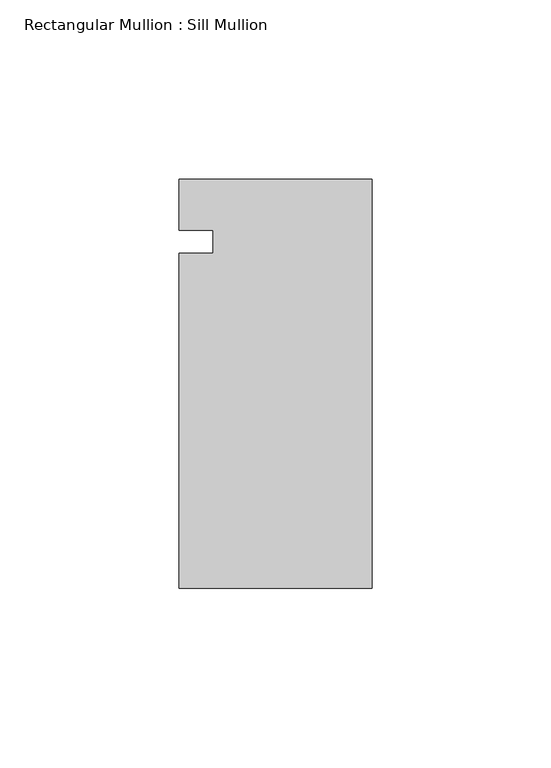
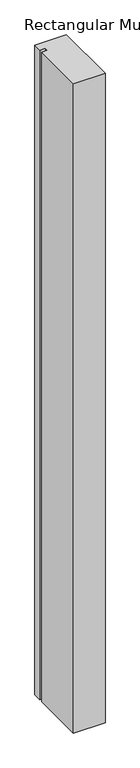
"""IFC4 building model written with IfcOpenShell, lengths in millimetres: member geometry, Rectangular Mullion : Sill Mullion."""

from ifc_helpers import new_model, si_unit, frame, origin, place, context, project, spatial, polyline, outline, extrude, source, transform, mapped, element, save


def rectangular_mullion_sill_mullion_66124ff5(model_context):
    return source(origin(), model_context, "Body", "SweptSolid", [
        extrude(outline(polyline([(0.0, -96.7994), (-53.975, -96.7994), (-53.975, -3.175), (-44.4246, -3.175), (-44.4246, 3.175), (-53.975, 3.175), (-53.975, 17.5006), (0.0, 17.5006), (0.0, -96.7994)])), frame((0.0, 0.0, -1174.75), z_axis=(0.0, 0.0, 1.0), x_axis=(1.0, 0.0, 0.0)), (0.0, 0.0, 1.0), 1174.75),
    ])


if __name__ == "__main__":
    model = new_model("IFC4")
    model_context = context("Model", 3, world=origin())
    ifc_project = project(units=[si_unit("LENGTHUNIT", "METRE", prefix="MILLI")], contexts=[model_context])
    site = spatial("IfcSite", under=ifc_project)
    building = spatial("IfcBuilding", under=site)
    placement = place(None, origin())
    rectangular_mullion_sill_mullion_shape = rectangular_mullion_sill_mullion_66124ff5(model_context)
    element("IfcMember", 1, ObjectType="Rectangular Mullion : Sill Mullion", at=placement, inside=building, context=model_context, shape_type="MappedRepresentation", body=[
        mapped(rectangular_mullion_sill_mullion_shape, transform((0.0, 0.0, 0.0), x_axis=(1.0, 0.0, 0.0), y_axis=(0.0, 1.0, 0.0), z_axis=(0.0, 0.0, 1.0))),
    ])
    save(model, "model.ifc")
